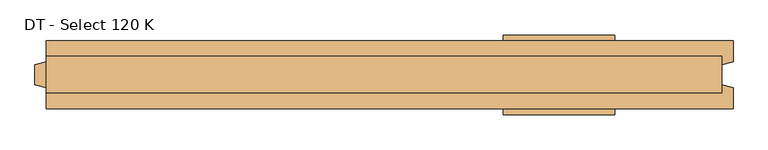
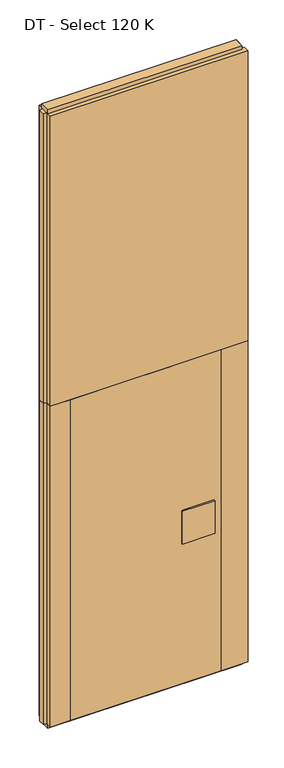
"""IFC4 building model written with IfcOpenShell, lengths in millimetres: door geometry, DT - Select 120 K."""

from ifc_helpers import new_model, si_unit, frame, origin, origin_with_axes, place, context, project, spatial, polyline, outline, extrude, source, transform, mapped, element, save


def dt_select_120_k_4cc3f10f(model_context):
    return source(origin(), model_context, "Body", "SweptSolid", [
        extrude(outline(polyline([(-460.0, -60.0), (-460.0, 60.0), (460.0, 60.0), (460.0, -60.0), (-460.0, -60.0)])), frame((0.0, 0.0, 25.0), z_axis=(0.0, 0.0, 1.0), x_axis=(1.0, 0.0, 0.0)), (0.0, 0.0, 1.0), 2075.0),
        extrude(outline(polyline([(219.7719698, -70.0), (219.7719698, -60.0), (416.7719698, -60.0), (416.7719698, -70.0), (219.7719698, -70.0)])), frame((0.0, 0.0, 934.0), z_axis=(0.0, 0.0, 1.0), x_axis=(1.0, 0.0, 0.0)), (0.0, 0.0, 1.0), 212.0),
        extrude(outline(polyline([(219.7719698, 60.0), (219.7719698, 70.0), (416.7719698, 70.0), (416.7719698, 60.0), (219.7719698, 60.0)])), frame((0.0, 0.0, 934.0), z_axis=(0.0, 0.0, 1.0), x_axis=(1.0, 0.0, 0.0)), (0.0, 0.0, 1.0), 212.0),
        extrude(outline(polyline([(605.0, 32.0), (605.0, -32.0), (-585.0, -32.0), (-585.0, 32.0), (605.0, 32.0)])), origin_with_axes(), (0.0, 0.0, 1.0), 25.0),
        extrude(outline(polyline([(605.0, 32.0), (605.0, -32.0), (-585.0, -32.0), (-585.0, 32.0), (605.0, 32.0)])), frame((0.0, 0.0, 3975.0), z_axis=(0.0, 0.0, 1.0), x_axis=(1.0, 0.0, 0.0)), (0.0, 0.0, 1.0), 25.0),
        extrude(outline(polyline([(625.0, -60.0), (460.0, -60.0), (460.0, 60.0), (625.0, 60.0), (625.0, 23.0), (605.0, 17.6410162), (605.0, -17.6410162), (625.0, -23.0), (625.0, -60.0)])), frame((0.0, 0.0, 25.0), z_axis=(0.0, 0.0, 1.0), x_axis=(1.0, 0.0, 0.0)), (0.0, 0.0, 1.0), 2075.0),
        extrude(outline(polyline([(-585.0, -60.0), (-585.0, -23.0), (-605.0, -17.6410162), (-605.0, 17.6410162), (-585.0, 23.0), (-585.0, 60.0), (-460.0, 60.0), (-460.0, -60.0), (-585.0, -60.0)])), frame((0.0, 0.0, 25.0), z_axis=(0.0, 0.0, 1.0), x_axis=(1.0, 0.0, 0.0)), (0.0, 0.0, 1.0), 2075.0),
        extrude(outline(polyline([(625.0, 60.0), (625.0, 23.0), (605.0, 17.6410162), (605.0, -17.6410162), (625.0, -23.0), (625.0, -60.0), (-585.0, -60.0), (-585.0, -23.0), (-605.0, -17.6410162), (-605.0, 17.6410162), (-585.0, 23.0), (-585.0, 60.0), (625.0, 60.0)])), frame((0.0, 0.0, 2100.0), z_axis=(0.0, 0.0, 1.0), x_axis=(1.0, 0.0, 0.0)), (0.0, 0.0, 1.0), 1875.0),
    ])


if __name__ == "__main__":
    model = new_model("IFC4")
    model_context = context("Model", 3, world=origin())
    ifc_project = project(units=[si_unit("LENGTHUNIT", "METRE", prefix="MILLI")], contexts=[model_context])
    site = spatial("IfcSite", under=ifc_project)
    building = spatial("IfcBuilding", under=site)
    placement = place(None, origin())
    dt_select_120_k_shape = dt_select_120_k_4cc3f10f(model_context)
    element("IfcDoor", 1, ObjectType="DT - Select 120 K", at=placement, inside=building, context=model_context, shape_type="MappedRepresentation", body=[
        mapped(dt_select_120_k_shape, transform((0.0, 0.0, 0.0), x_axis=(1.0, 0.0, 0.0), y_axis=(0.0, 1.0, 0.0), z_axis=(0.0, 0.0, 1.0))),
    ])
    save(model, "model.ifc")
